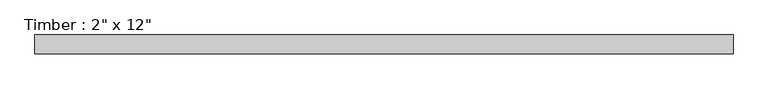
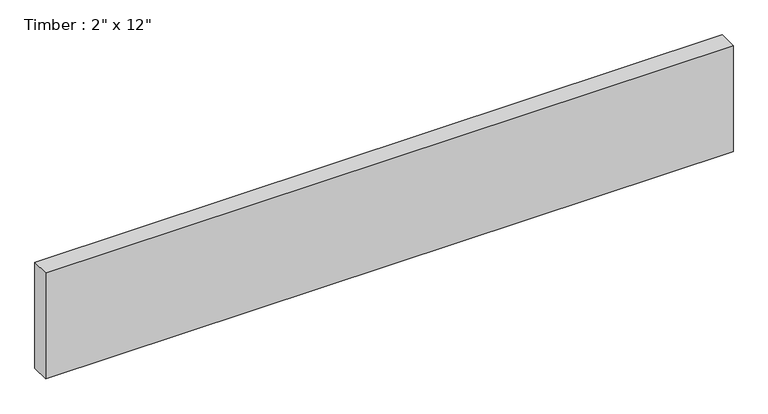
"""IFC4 building model written with IfcOpenShell, lengths in millimetres: beam geometry."""

from ifc_helpers import new_model, si_unit, frame, origin, place, context, project, spatial, polyline, outline, extrude, source, transform, mapped, element, save


def beam_69a85d68(model_context):
    return source(origin(), model_context, "Body", "SweptSolid", [
        extrude(outline(polyline([(934.5165896, 25.4), (934.5165896, -25.4), (-934.5165896, -25.4), (-934.5165896, 25.4), (934.5165896, 25.4)])), frame((0.0, 0.0, -152.4), z_axis=(0.0, 0.0, 1.0), x_axis=(1.0, 0.0, 0.0)), (0.0, 0.0, 1.0), 304.8),
    ])


if __name__ == "__main__":
    model = new_model("IFC4")
    model_context = context("Model", 3, world=origin())
    ifc_project = project(units=[si_unit("LENGTHUNIT", "METRE", prefix="MILLI")], contexts=[model_context])
    site = spatial("IfcSite", under=ifc_project)
    building = spatial("IfcBuilding", under=site)
    placement = place(None, origin())
    beam_shape = beam_69a85d68(model_context)
    element("IfcBeam", 1, ObjectType="Timber : 2\" x 12\"", at=placement, inside=building, context=model_context, shape_type="MappedRepresentation", body=[
        mapped(beam_shape, transform((0.0, 0.0, 0.0), x_axis=(1.0, 0.0, 0.0), y_axis=(0.0, 1.0, 0.0), z_axis=(0.0, 0.0, 1.0))),
    ])
    save(model, "model.ifc")
